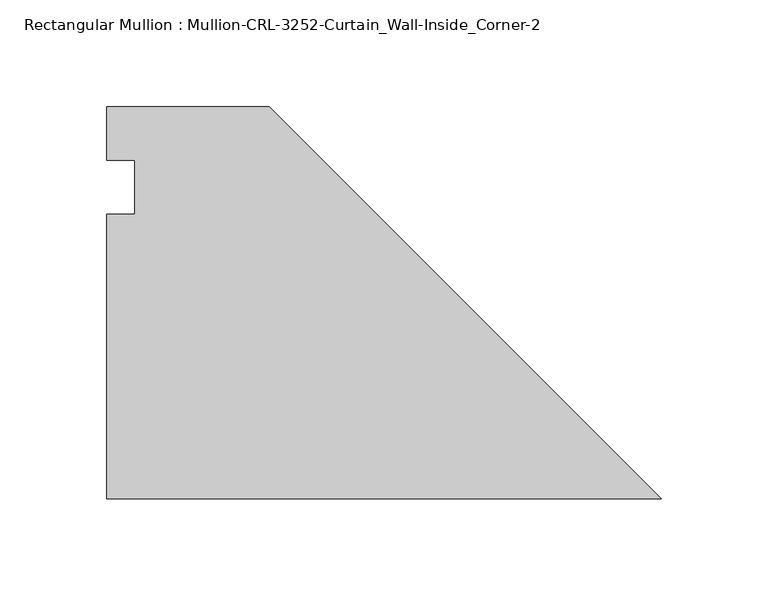
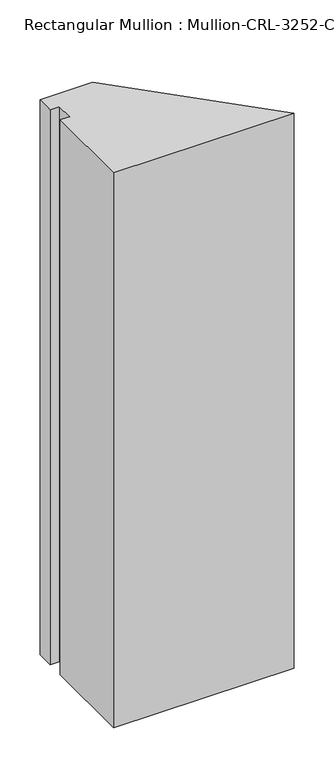
"""IFC4 building model written with IfcOpenShell, lengths in millimetres: member geometry, Rectangular Mullion : Mullion-CRL-3252-Curtain_Wall-Inside_Corner-2."""

import ifcopenshell
import ifcopenshell.guid

model = None  # the IFC model being written
_history = None  # IfcOwnerHistory: only IFC2X3 demands one
_inside = {}  # id of a spatial element -> (the spatial element, [elements in it])
_under = {}  # id of a project, library or spatial element -> (it, [spatial elements below it])
_declared = {}  # id of a project -> (the project, [libraries it declares])
_typed = {}  # id of a type object -> (the type object, [elements of that type])
_made_of = {}  # id of a material, layer set ... -> (it, [elements and type objects made of it])


def new_model(schema):
    """Start an empty IFC model of exactly this schema.

    Asked for "IFC4X3", IfcOpenShell would pick the latest addendum, in which some entities
    have other attributes; the version numbers below select the first issue.
    IFC2X3 requires an IfcOwnerHistory on every rooted entity: one is made here for all.
    """
    global model, _history
    if schema == "IFC4X3":
        model = ifcopenshell.file(schema_version=(4, 3, 0, 0))
    else:
        model = ifcopenshell.file(schema=schema)
    _inside.clear()
    _under.clear()
    _declared.clear()
    _typed.clear()
    _made_of.clear()
    _history = None
    if model.schema == "IFC2X3":
        org = make("IfcOrganization", Name="unknown")
        user = make(
            "IfcPersonAndOrganization",
            ThePerson=make("IfcPerson", FamilyName="unknown"),
            TheOrganization=org,
        )
        app = make(
            "IfcApplication",
            ApplicationDeveloper=org,
            Version="unknown",
            ApplicationFullName="unknown",
            ApplicationIdentifier="unknown",
        )
        _history = make(
            "IfcOwnerHistory",
            OwningUser=user,
            OwningApplication=app,
            ChangeAction="ADDED",
            CreationDate=0,
        )
    return model


def make(cls, **values):
    """One entity of the class cls with the attributes given. An attribute that is None is left unset."""
    return model.create_entity(
        cls, **{name: value for name, value in values.items() if value is not None}
    )


def rooted(cls, **values):
    """An entity with a GlobalId (a new one), such as an element, a storey or a relation."""
    return make(cls, GlobalId=ifcopenshell.guid.new(), OwnerHistory=_history, **values)


def si_unit(unit_type, name, prefix=None):
    """IfcSIUnit, for example si_unit("LENGTHUNIT", "METRE", prefix="MILLI")."""
    return make("IfcSIUnit", UnitType=unit_type, Prefix=prefix, Name=name)


def assignment(units):
    """IfcUnitAssignment: the units of a project."""
    return None if units is None else make("IfcUnitAssignment", Units=units)


def point(xyz):
    """IfcCartesianPoint."""
    return None if xyz is None else make("IfcCartesianPoint", Coordinates=xyz)


def direction(xyz):
    """IfcDirection."""
    return None if xyz is None else make("IfcDirection", DirectionRatios=xyz)


def frame(location, z_axis=None, x_axis=None):
    """IfcAxis2Placement3D, a coordinate frame: its origin and axes. An axis left out is left unset."""
    return make(
        "IfcAxis2Placement3D",
        Location=point(location),
        Axis=direction(z_axis),
        RefDirection=direction(x_axis),
    )


def origin():
    """The frame at (0, 0, 0) with its axes left unset."""
    return frame((0.0, 0.0, 0.0))


def place(relative_to, where):
    """IfcLocalPlacement: puts the frame where relative to a parent placement (None: the world)."""
    return make(
        "IfcLocalPlacement", PlacementRelTo=relative_to, RelativePlacement=where
    )


def context(
    kind, dimensions, precision=None, world=None, true_north=None, identifier=None
):
    """IfcGeometricRepresentationContext, for example the 3D "Model" context."""
    return make(
        "IfcGeometricRepresentationContext",
        ContextIdentifier=identifier,
        ContextType=kind,
        CoordinateSpaceDimension=dimensions,
        Precision=precision,
        WorldCoordinateSystem=world,
        TrueNorth=true_north,
    )


def project(units=None, contexts=None):
    """IfcProject with its units and contexts."""
    return rooted(
        "IfcProject",
        Name="project",
        RepresentationContexts=contexts,
        UnitsInContext=assignment(units),
    )


def spatial(cls, under=None, at=None, **own):
    """A site, building, storey or space (cls), placed at a placement, below another one or the project."""
    s = rooted(cls, ObjectPlacement=at, **own)
    if under is not None:
        _under.setdefault(under.id(), (under, []))[1].append(s)
    return s


def polyline(points):
    """IfcPolyline through the points."""
    return make("IfcPolyline", Points=[point(p) for p in points])


def outline(outer, holes=None, kind="AREA"):
    """IfcArbitraryClosedProfileDef: a profile drawn as a closed curve; with holes, ...WithVoids."""
    if holes is None:
        return make("IfcArbitraryClosedProfileDef", ProfileType=kind, OuterCurve=outer)
    return make(
        "IfcArbitraryProfileDefWithVoids",
        ProfileType=kind,
        OuterCurve=outer,
        InnerCurves=holes,
    )


def extrude(swept, where, along, depth):
    """IfcExtrudedAreaSolid: the profile swept, set in the frame where, extruded along a direction by depth."""
    return make(
        "IfcExtrudedAreaSolid",
        SweptArea=swept,
        Position=where,
        ExtrudedDirection=direction(along),
        Depth=depth,
    )


def shape(context_of_items, identifier, shape_type, items):
    """IfcShapeRepresentation: the items that make up one representation, for example the "Body"."""
    return make(
        "IfcShapeRepresentation",
        ContextOfItems=context_of_items,
        RepresentationIdentifier=identifier,
        RepresentationType=shape_type,
        Items=items,
    )


def source(mapping_origin, context_of_items, identifier, shape_type, items):
    """IfcRepresentationMap: a shape defined once, which mapped items show again and again."""
    return make(
        "IfcRepresentationMap",
        MappingOrigin=mapping_origin,
        MappedRepresentation=shape(context_of_items, identifier, shape_type, items),
    )


def transform(
    local_origin,
    x_axis=None,
    y_axis=None,
    z_axis=None,
    scale=None,
    scale2=None,
    scale3=None,
    uniform=True,
):
    """IfcCartesianTransformationOperator3D, or its non-uniform kind. x_axis, y_axis, z_axis: its Axis1, 2, 3."""
    if uniform:
        return make(
            "IfcCartesianTransformationOperator3D",
            Axis1=direction(x_axis),
            Axis2=direction(y_axis),
            LocalOrigin=point(local_origin),
            Scale=scale,
            Axis3=direction(z_axis),
        )
    return make(
        "IfcCartesianTransformationOperator3DnonUniform",
        Axis1=direction(x_axis),
        Axis2=direction(y_axis),
        LocalOrigin=point(local_origin),
        Scale=scale,
        Axis3=direction(z_axis),
        Scale2=scale2,
        Scale3=scale3,
    )


def mapped(mapping_source, mapping_target):
    """IfcMappedItem: shows the shape of a source again, moved by a transform."""
    return make(
        "IfcMappedItem", MappingSource=mapping_source, MappingTarget=mapping_target
    )


def made_of(thing, what):
    """Note that an element or type object is made of a material, layer set ...; save() writes the relation."""
    if what is not None:
        _made_of.setdefault(what.id(), (what, []))[1].append(thing)
    return thing


def element(
    cls,
    number,
    at=None,
    inside=None,
    cuts=None,
    type_object=None,
    material=None,
    context=None,
    identifier="Body",
    shape_type=None,
    held_by="IfcProductDefinitionShape",
    body=None,
    shapes=None,
    **own,
):
    """One element of the class cls, such as IfcWall. Its Tag is "e" and its number.

    at: its placement. inside: the storey or other place that contains it. cuts: it is an
    opening in that element (IfcRelVoidsElement). A single representation is given by context,
    identifier, shape_type and body (its items); several are given by shapes. held_by: the class
    of the entity that holds the representations. save() writes the other relations.
    """
    e = rooted(cls, Tag="e%d" % number, ObjectPlacement=at, **own)
    if body is not None:
        shapes = [shape(context, identifier, shape_type, body)]
    if shapes is not None:
        e.Representation = make(held_by, Representations=shapes)
    if inside is not None:
        _inside.setdefault(inside.id(), (inside, []))[1].append(e)
    if cuts is not None:
        rooted(
            "IfcRelVoidsElement", RelatingBuildingElement=cuts, RelatedOpeningElement=e
        )
    if type_object is not None:
        _typed.setdefault(type_object.id(), (type_object, []))[1].append(e)
    return made_of(e, material)


def aggregate(whole, parts):
    """IfcRelAggregates: a whole, such as a stair, and the parts it consists of."""
    return rooted("IfcRelAggregates", RelatingObject=whole, RelatedObjects=parts)


def save(model, path):
    """Write the relations noted so far, then the file.

    IfcRelAggregates (storeys below a building ...), IfcRelContainedInSpatialStructure (elements
    in a storey), IfcRelDefinesByType, IfcRelAssociatesMaterial and IfcRelDeclares: one each for
    every whole, place, type object, material and project.
    """
    for whole, parts in _under.values():
        aggregate(whole, parts)
    for where, things in _inside.values():
        rooted(
            "IfcRelContainedInSpatialStructure",
            RelatedElements=things,
            RelatingStructure=where,
        )
    for kind, things in _typed.values():
        rooted("IfcRelDefinesByType", RelatedObjects=things, RelatingType=kind)
    for what, things in _made_of.values():
        rooted("IfcRelAssociatesMaterial", RelatedObjects=things, RelatingMaterial=what)
    for by, libraries in _declared.values():
        rooted("IfcRelDeclares", RelatingContext=by, RelatedDefinitions=libraries)
    model.write(path)


def rectangular_mullion_mullion_crl_3252_curtain_wall_inside_1c6603ac(model_context):
    return source(origin(), model_context, "Body", "SweptSolid", [
        extrude(outline(polyline([(-183.8755352, 37.8701442), (0.0, -146.005391), (-260.0928023, -146.005391), (-260.0928023, -12.7), (-246.814215, -12.7), (-246.814215, 12.7), (-260.0928023, 12.7), (-260.0928023, 37.8701442), (-183.8755352, 37.8701442)])), frame((0.0, 0.0, -845.8398437), z_axis=(0.0, 0.0, 1.0), x_axis=(1.0, 0.0, 0.0)), (0.0, 0.0, 1.0), 845.8398437),
    ])


if __name__ == "__main__":
    model = new_model("IFC4")
    model_context = context("Model", 3, world=origin())
    ifc_project = project(units=[si_unit("LENGTHUNIT", "METRE", prefix="MILLI")], contexts=[model_context])
    site = spatial("IfcSite", under=ifc_project)
    building = spatial("IfcBuilding", under=site)
    placement = place(None, origin())
    rectangular_mullion_mullion_crl_3252_curtain_wall_inside_shape = rectangular_mullion_mullion_crl_3252_curtain_wall_inside_1c6603ac(model_context)
    element("IfcMember", 1, ObjectType="Rectangular Mullion : Mullion-CRL-3252-Curtain_Wall-Inside_Corner-2", at=placement, inside=building, context=model_context, shape_type="MappedRepresentation", body=[
        mapped(rectangular_mullion_mullion_crl_3252_curtain_wall_inside_shape, transform((0.0, 0.0, 0.0), x_axis=(1.0, 0.0, 0.0), y_axis=(0.0, 1.0, 0.0), z_axis=(0.0, 0.0, 1.0))),
    ])
    save(model, "model.ifc")
